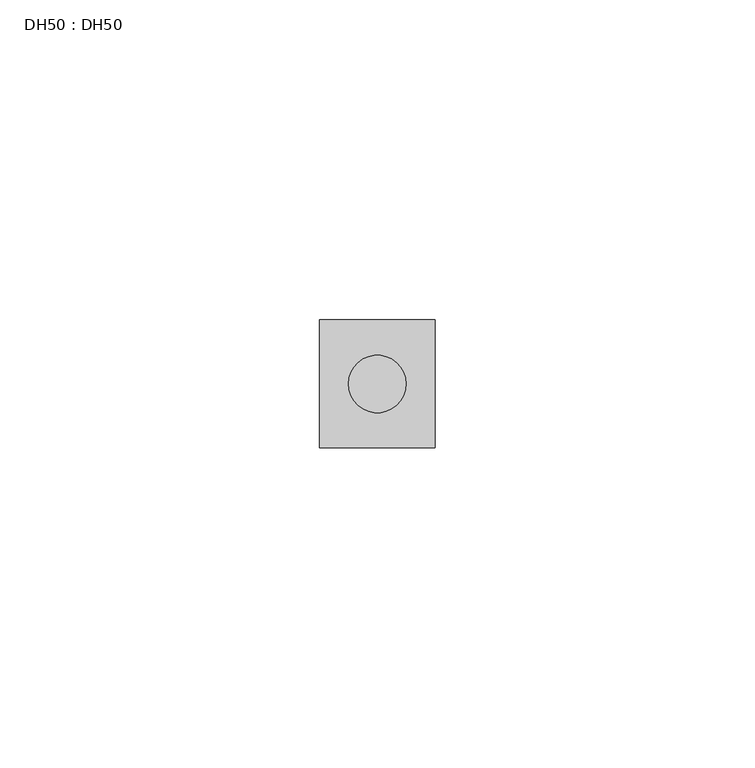
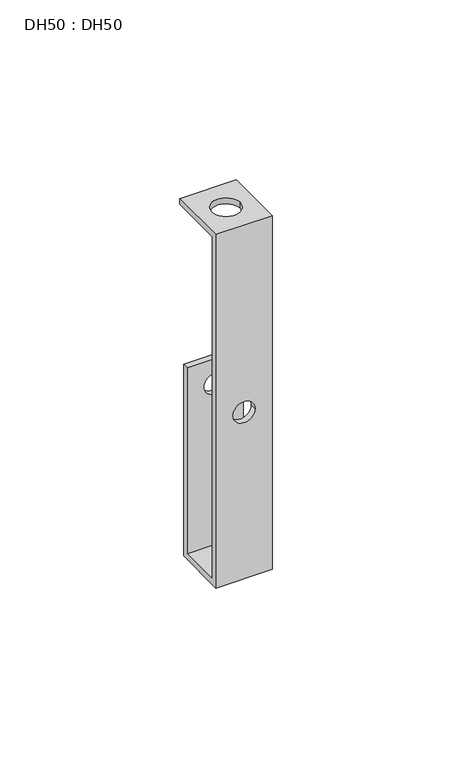
"""IFC4 building model written with IfcOpenShell, lengths in millimetres: proxy geometry, DH50 : DH50."""

from ifc_helpers import new_model, si_unit, frame, origin, place, context, project, spatial, polyline, circle_curve, source, transform, mapped, element, save
from ifc_brep_helpers import plane_surface, revolved_surface, advanced_brep


def dh50_dh50_8de32f19(model_context):
    return source(origin(), model_context, "Body", "AdvancedBrep", [
        advanced_brep(
        [(18.0, 9.0, 0.0), (18.0, 9.0, 65.0), (18.0, 7.0, 65.0), (18.0, 7.0, 2.0), (18.0, -7.0, 2.0), (18.0, -7.0, 118.0), (18.0, 11.0, 118.0), (18.0, 11.0, 120.0), (18.0, -9.0, 120.0), (18.0, -9.0, 0.0), (0.0, 9.0, 0.0), (0.0, -9.0, 0.0), (0.0, -9.0, 120.0), (0.0, 11.0, 120.0), (0.0, 11.0, 118.0), (0.0, -7.0, 118.0), (0.0, -7.0, 2.0), (0.0, 7.0, 2.0), (0.0, 7.0, 65.0), (0.0, 9.0, 65.0), (12.5454618, 9.0, 56.5), (5.4545382, 9.0, 56.5), (5.4545382, 7.0, 56.5), (12.5454618, 7.0, 56.5), (12.5454618, -7.0, 56.5), (5.4545382, -7.0, 56.5), (4.5, 1.0, 118.0), (13.5, 1.0, 118.0), (13.5, 1.0, 120.0), (4.5, 1.0, 120.0), (5.4545382, -9.0, 56.5), (12.5454618, -9.0, 56.5)],
        [
            (0, 1),
            (1, 2),
            (2, 3),
            (3, 4),
            (4, 5),
            (5, 6),
            (6, 7),
            (7, 8),
            (8, 9),
            (9, 0),
            (10, 11),
            (11, 12),
            (12, 13),
            (13, 14),
            (14, 15),
            (15, 16),
            (16, 17),
            (17, 18),
            (18, 19),
            (19, 10),
            (0, 10),
            (19, 1),
            (20, 21, circle_curve(frame((9.0, 9.0, 56.5), z_axis=(0.0, -1.0, 0.0), x_axis=(-1.0, 0.0, 0.0)), 3.5454618)),
            (21, 20, circle_curve(frame((9.0, 9.0, 56.5), z_axis=(0.0, -1.0, 0.0), x_axis=(-1.0, 0.0, 0.0)), 3.5454618)),
            (18, 2),
            (17, 3),
            (22, 23, circle_curve(frame((9.0, 7.0, 56.5), z_axis=(0.0, 1.0, 0.0), x_axis=(-1.0, 0.0, 0.0)), 3.5454618)),
            (23, 22, circle_curve(frame((9.0, 7.0, 56.5), z_axis=(0.0, 1.0, 0.0), x_axis=(-1.0, 0.0, 0.0)), 3.5454618)),
            (16, 4),
            (15, 5),
            (24, 25, circle_curve(frame((9.0, -7.0, 56.5), z_axis=(0.0, -1.0, 0.0), x_axis=(-1.0, 0.0, 0.0)), 3.5454618)),
            (25, 24, circle_curve(frame((9.0, -7.0, 56.5), z_axis=(0.0, -1.0, 0.0), x_axis=(-1.0, 0.0, 0.0)), 3.5454618)),
            (14, 6),
            (26, 27, circle_curve(frame((9.0, 1.0, 118.0), z_axis=(0.0, 0.0, 1.0), x_axis=(1.0, 0.0, 0.0)), 4.5)),
            (27, 26, circle_curve(frame((9.0, 1.0, 118.0), z_axis=(0.0, 0.0, 1.0), x_axis=(1.0, 0.0, 0.0)), 4.5)),
            (13, 7),
            (12, 8),
            (28, 29, circle_curve(frame((9.0, 1.0, 120.0), z_axis=(0.0, 0.0, -1.0), x_axis=(1.0, 0.0, 0.0)), 4.5)),
            (29, 28, circle_curve(frame((9.0, 1.0, 120.0), z_axis=(0.0, 0.0, -1.0), x_axis=(1.0, 0.0, 0.0)), 4.5)),
            (11, 9),
            (30, 31, circle_curve(frame((9.0, -9.0, 56.5), z_axis=(0.0, 1.0, 0.0), x_axis=(-1.0, 0.0, 0.0)), 3.5454618)),
            (31, 30, circle_curve(frame((9.0, -9.0, 56.5), z_axis=(0.0, 1.0, 0.0), x_axis=(-1.0, 0.0, 0.0)), 3.5454618)),
            (26, 29),
            (28, 27),
            (20, 23),
            (22, 21),
            (24, 31),
            (30, 25),
        ],
        [
            plane_surface(frame((18.0, 9.0, 0.0), z_axis=(1.0, 0.0, 0.0), x_axis=(0.0, 0.0, 1.0))),
            plane_surface(frame((0.0, 9.0, 0.0), z_axis=(-1.0, 0.0, 0.0), x_axis=(0.0, 0.0, -1.0))),
            plane_surface(frame((18.0, 9.0, 0.0), z_axis=(0.0, 1.0, 0.0), x_axis=(-1.0, 0.0, 0.0))),
            plane_surface(frame((18.0, 9.0, 65.0), z_axis=(0.0, 0.0, 1.0), x_axis=(-1.0, 0.0, 0.0))),
            plane_surface(frame((18.0, 7.0, 65.0), z_axis=(0.0, -1.0, 0.0), x_axis=(-1.0, 0.0, 0.0))),
            plane_surface(frame((18.0, 7.0, 2.0), z_axis=(0.0, 0.0, 1.0), x_axis=(-1.0, 0.0, 0.0))),
            plane_surface(frame((18.0, -7.0, 2.0), z_axis=(0.0, 1.0, 0.0), x_axis=(-1.0, 0.0, 0.0))),
            plane_surface(frame((18.0, -7.0, 118.0), z_axis=(0.0, 0.0, -1.0), x_axis=(-1.0, 0.0, 0.0))),
            plane_surface(frame((18.0, 11.0, 118.0), z_axis=(0.0, 1.0, 0.0), x_axis=(-1.0, 0.0, 0.0))),
            plane_surface(frame((18.0, 11.0, 120.0), z_axis=(0.0, 0.0, 1.0), x_axis=(-1.0, 0.0, 0.0))),
            plane_surface(frame((18.0, -9.0, 120.0), z_axis=(0.0, -1.0, 0.0), x_axis=(-1.0, 0.0, 0.0))),
            plane_surface(frame((18.0, -9.0, 0.0), z_axis=(0.0, 0.0, -1.0), x_axis=(-1.0, 0.0, 0.0))),
            revolved_surface(polyline([(13.5, 1.0, 120.0), (13.5, 1.0, 118.0)]), (9.0, 1.0, 97.4617507), (0.0, 0.0, 1.0)),
            revolved_surface(polyline([(5.4545382, 7.0, 56.5), (5.4545382, 9.0, 56.5)]), (9.0, 29.9852537, 56.5), (0.0, -1.0, 0.0)),
            revolved_surface(polyline([(5.4545382, -9.0, 56.5), (5.4545382, -7.0, 56.5)]), (9.0, 29.9852537, 56.5), (0.0, -1.0, 0.0)),
        ],
        [
            (0, [[1, 2, 3, 4, 5, 6, 7, 8, 9, 10]]),
            (1, [[11, 12, 13, 14, 15, 16, 17, 18, 19, 20]]),
            (2, [[-1, 21, -20, 22], [23, 24]]),
            (3, [[-2, -22, -19, 25]]),
            (4, [[-3, -25, -18, 26], [27, 28]]),
            (5, [[-4, -26, -17, 29]]),
            (6, [[-5, -29, -16, 30], [31, 32]]),
            (7, [[-6, -30, -15, 33], [34, 35]]),
            (8, [[-7, -33, -14, 36]]),
            (9, [[-8, -36, -13, 37], [38, 39]]),
            (10, [[-9, -37, -12, 40], [41, 42]]),
            (11, [[-10, -40, -11, -21]]),
            (12, [[43, -38, 44, -34]]),
            (12, [[-43, -35, -44, -39]]),
            (13, [[45, -27, 46, -23]]),
            (14, [[47, -41, 48, -31]]),
            (13, [[-45, -24, -46, -28]]),
            (14, [[-47, -32, -48, -42]]),
        ],
    ),
    ])


if __name__ == "__main__":
    model = new_model("IFC4")
    model_context = context("Model", 3, world=origin())
    ifc_project = project(units=[si_unit("LENGTHUNIT", "METRE", prefix="MILLI")], contexts=[model_context])
    site = spatial("IfcSite", under=ifc_project)
    building = spatial("IfcBuilding", under=site)
    placement = place(None, origin())
    dh50_dh50_shape = dh50_dh50_8de32f19(model_context)
    element("IfcBuildingElementProxy", 1, Name="DH50 : DH50", ObjectType="DH50 : DH50", at=placement, inside=building, context=model_context, shape_type="MappedRepresentation", body=[
        mapped(dh50_dh50_shape, transform((0.0, 0.0, 0.0), x_axis=(1.0, 0.0, 0.0), y_axis=(0.0, 1.0, 0.0), z_axis=(0.0, 0.0, 1.0))),
    ])
    save(model, "model.ifc")
